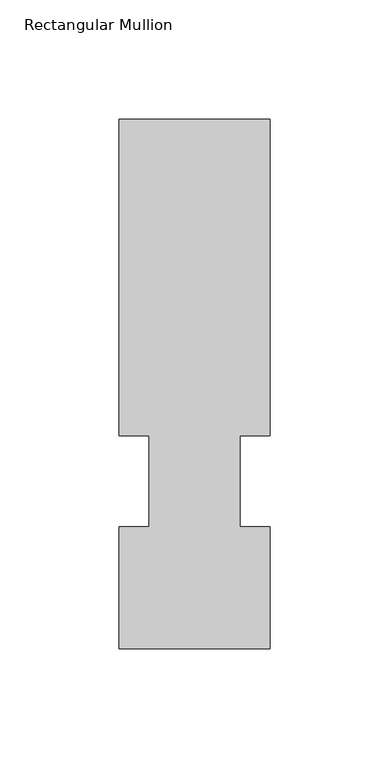
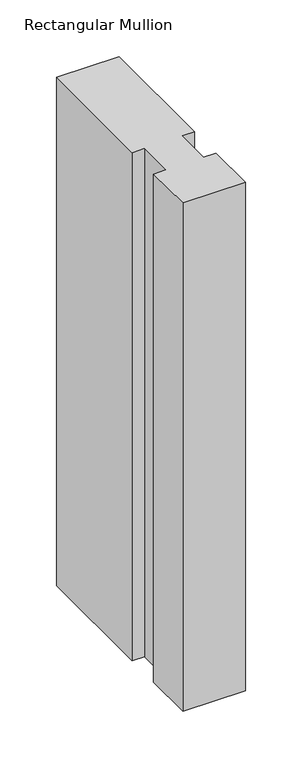
"""IFC4 building model written with IfcOpenShell, lengths in millimetres: member geometry, Rectangular Mullion."""

from ifc_helpers import new_model, si_unit, frame, origin, place, context, project, spatial, polyline, outline, extrude, source, transform, mapped, element, save


def rectangular_mullion_08b16dfe(model_context):
    return source(origin(), model_context, "Body", "SweptSolid", [
        extrude(outline(polyline([(-0.0002588, 222.5381312), (-0.0002588, 89.5945313), (-12.6873001, 89.5945313), (-12.6873001, 51.4945313), (0.0, 51.4945313), (0.0, 0.2119313), (-63.5000001, 0.2119313), (-63.5000001, 51.4945313), (-50.7889232, 51.4945313), (-50.7889232, 89.5945313), (-63.5004404, 89.5945313), (-63.5004404, 222.5381312), (-0.0002588, 222.5381312)])), frame((0.0, 0.0, -546.0999998), z_axis=(0.0, 0.0, 1.0), x_axis=(1.0, 0.0, 0.0)), (0.0, 0.0, 1.0), 546.0999998),
    ])


if __name__ == "__main__":
    model = new_model("IFC4")
    model_context = context("Model", 3, world=origin())
    ifc_project = project(units=[si_unit("LENGTHUNIT", "METRE", prefix="MILLI")], contexts=[model_context])
    site = spatial("IfcSite", under=ifc_project)
    building = spatial("IfcBuilding", under=site)
    placement = place(None, origin())
    rectangular_mullion_shape = rectangular_mullion_08b16dfe(model_context)
    element("IfcMember", 1, ObjectType="Rectangular Mullion", at=placement, inside=building, context=model_context, shape_type="MappedRepresentation", body=[
        mapped(rectangular_mullion_shape, transform((0.0, 0.0, 0.0), x_axis=(1.0, 0.0, 0.0), y_axis=(0.0, 1.0, 0.0), z_axis=(0.0, 0.0, 1.0))),
    ])
    save(model, "model.ifc")
